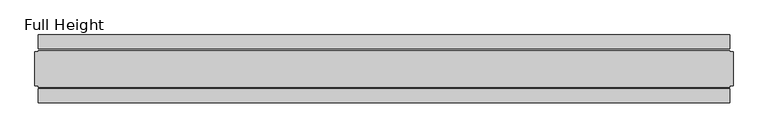
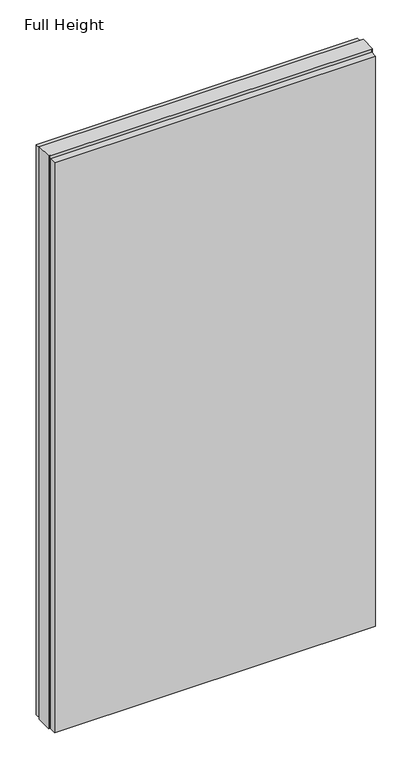
"""IFC4 building model written with IfcOpenShell, lengths in millimetres: plate geometry, Full Height."""

from ifc_helpers import new_model, si_unit, origin, origin_with_axes, place, context, project, spatial, polyline, outline, extrude, source, transform, mapped, element, save


def full_height_c4cc80d5(model_context):
    return source(origin(), model_context, "Body", "SweptSolid", [
        extrude(outline(polyline([(505.6759, 28.956), (-505.6759, 28.956), (-505.6759, 49.53), (505.6759, 49.53), (505.6759, 28.956)])), origin_with_axes(), (0.0, 0.0, 1.0), 1895.856),
        extrude(outline(polyline([(505.6759, -28.956), (505.6759, -49.53), (-505.6759, -49.53), (-505.6759, -28.956), (505.6759, -28.956)])), origin_with_axes(), (0.0, 0.0, 1.0), 1895.856),
        extrude(outline(polyline([(505.6759, -25.146), (505.6759, -26.67), (-505.6759, -26.67), (-505.6759, -25.146), (-510.2479, -25.146), (-510.2479, 25.146), (-505.6759, 25.146), (-505.6759, 26.67), (505.6759, 26.67), (505.6759, 25.146), (510.2479, 25.146), (510.2479, -25.146), (505.6759, -25.146)])), origin_with_axes(), (0.0, 0.0, 1.0), 1905.0),
    ])


if __name__ == "__main__":
    model = new_model("IFC4")
    model_context = context("Model", 3, world=origin())
    ifc_project = project(units=[si_unit("LENGTHUNIT", "METRE", prefix="MILLI")], contexts=[model_context])
    site = spatial("IfcSite", under=ifc_project)
    building = spatial("IfcBuilding", under=site)
    placement = place(None, origin())
    full_height_shape = full_height_c4cc80d5(model_context)
    element("IfcPlate", 1, ObjectType="Full Height", at=placement, inside=building, context=model_context, shape_type="MappedRepresentation", body=[
        mapped(full_height_shape, transform((0.0, 0.0, 0.0), x_axis=(1.0, 0.0, 0.0), y_axis=(0.0, 1.0, 0.0), z_axis=(0.0, 0.0, 1.0))),
    ])
    save(model, "model.ifc")
